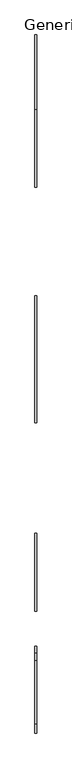
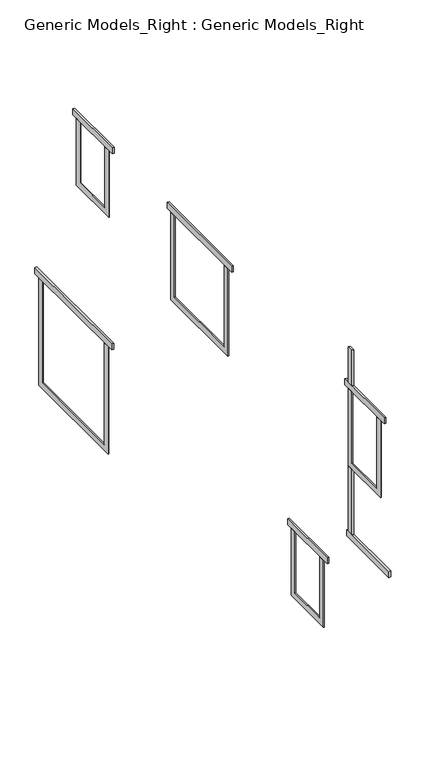
"""IFC4 building model written with IfcOpenShell, lengths in millimetres: proxy geometry, Generic Models_Right : Generic Models_Right."""

from ifc_helpers import new_model, si_unit, frame, origin, place, context, project, spatial, polyline, outline, extrude, source, transform, mapped, element, save


def generic_models_right_generic_models_right_f86b50ba(model_context):
    return source(origin(), model_context, "Body", "SweptSolid", [
        extrude(outline(polyline([(8764.303833, 1607.8809329), (8764.303833, 579.1809329), (8738.903833, 579.1809329), (8738.903833, 1607.8809329), (8764.303833, 1607.8809329)])), frame((0.0, 0.0, 3454.4), z_axis=(0.0, 0.0, 1.0), x_axis=(1.0, 0.0, 0.0)), (0.0, 0.0, 1.0), 88.9),
        extrude(outline(polyline([(8764.303833, 1569.7809329), (8764.303833, 1480.8809329), (8738.903833, 1480.8809329), (8738.903833, 1569.7809329), (8764.303833, 1569.7809329)])), frame((0.0, 0.0, 5768.975), z_axis=(0.0, 0.0, 1.0), x_axis=(1.0, 0.0, 0.0)), (0.0, 0.0, 1.0), 529.9575109),
        extrude(outline(polyline([(8764.303833, 1569.7809329), (8764.303833, 1480.8809329), (8738.903833, 1480.8809329), (8738.903833, 1569.7809329), (8764.303833, 1569.7809329)])), frame((0.0, 0.0, 3543.3), z_axis=(0.0, 0.0, 1.0), x_axis=(1.0, 0.0, 0.0)), (0.0, 0.0, 1.0), 981.075),
        extrude(outline(polyline([(8764.303833, 1658.6809329), (8764.303833, 693.4809329), (8738.903833, 693.4809329), (8738.903833, 1658.6809329), (8764.303833, 1658.6809329)])), frame((0.0, 0.0, 5680.075), z_axis=(0.0, 0.0, 1.0), x_axis=(1.0, 0.0, 0.0)), (0.0, 0.0, 1.0), 88.9),
        extrude(outline(polyline([(8764.303833, 3055.6809329), (8764.303833, 2090.4809329), (8738.903833, 2090.4809329), (8738.903833, 3055.6809329), (8764.303833, 3055.6809329)])), frame((0.0, 0.0, 2743.2), z_axis=(0.0, 0.0, 1.0), x_axis=(1.0, 0.0, 0.0)), (0.0, 0.0, 1.0), 88.9),
        extrude(outline(polyline([(8764.303833, 6002.0809329), (8764.303833, 4427.2809329), (8738.903833, 4427.2809329), (8738.903833, 6002.0809329), (8764.303833, 6002.0809329)])), frame((0.0, 0.0, 5680.075), z_axis=(0.0, 0.0, 1.0), x_axis=(1.0, 0.0, 0.0)), (0.0, 0.0, 1.0), 88.9),
        extrude(outline(polyline([(8764.303833, 8313.4809329), (8764.303833, 7348.2809329), (8738.903833, 7348.2809329), (8738.903833, 8313.4809329), (8764.303833, 8313.4809329)])), frame((0.0, 0.0, 5680.075), z_axis=(0.0, 0.0, 1.0), x_axis=(1.0, 0.0, 0.0)), (0.0, 0.0, 1.0), 88.9),
        extrude(outline(polyline([(8764.303833, 9240.5809329), (8764.303833, 7360.9809329), (8738.903833, 7360.9809329), (8738.903833, 9240.5809329), (8764.303833, 9240.5809329)])), frame((0.0, 0.0, 2743.2), z_axis=(0.0, 0.0, 1.0), x_axis=(1.0, 0.0, 0.0)), (0.0, 0.0, 1.0), 88.9),
        extrude(outline(polyline([(2179.3809329, 2743.2), (2268.2809329, 2743.2), (2268.2809329, 1828.8), (2877.8809329, 1828.8), (2877.8809329, 2743.2), (2966.7809329, 2743.2), (2966.7809329, 1739.9), (2179.3809329, 1739.9), (2179.3809329, 2743.2)])), frame((8738.903833, 0.0, 0.0), z_axis=(1.0, 0.0, 0.0), x_axis=(0.0, 1.0, 0.0)), (0.0, 0.0, 1.0), 12.7),
        extrude(outline(polyline([(7449.8809329, 2743.2), (7538.7809329, 2743.2), (7538.7809329, 1219.2), (9062.7809329, 1219.2), (9062.7809329, 2743.2), (9151.6809329, 2743.2), (9151.6809329, 1130.3), (7449.8809329, 1130.3), (7449.8809329, 2743.2)])), frame((8738.903833, 0.0, 0.0), z_axis=(1.0, 0.0, 0.0), x_axis=(0.0, 1.0, 0.0)), (0.0, 0.0, 1.0), 12.7),
        extrude(outline(polyline([(7437.1809329, 5680.075), (7526.0809329, 5680.075), (7526.0809329, 4765.675), (8135.6809329, 4765.675), (8135.6809329, 5680.075), (8224.5809329, 5680.075), (8224.5809329, 4676.775), (7437.1809329, 4676.775), (7437.1809329, 5680.075)])), frame((8738.903833, 0.0, 0.0), z_axis=(1.0, 0.0, 0.0), x_axis=(0.0, 1.0, 0.0)), (0.0, 0.0, 1.0), 12.7),
        extrude(outline(polyline([(4516.1809329, 5680.075), (4605.0809329, 5680.075), (4605.0809329, 4460.875), (5824.2809329, 4460.875), (5824.2809329, 5680.075), (5913.1809329, 5680.075), (5913.1809329, 4371.975), (4516.1809329, 4371.975), (4516.1809329, 5680.075)])), frame((8738.903833, 0.0, 0.0), z_axis=(1.0, 0.0, 0.0), x_axis=(0.0, 1.0, 0.0)), (0.0, 0.0, 1.0), 12.7),
        extrude(outline(polyline([(782.3809329, 5680.075), (871.2809329, 5680.075), (871.2809329, 4613.275), (1480.8809329, 4613.275), (1480.8809329, 5680.075), (1569.7809329, 5680.075), (1569.7809329, 4524.375), (782.3809329, 4524.375), (782.3809329, 5680.075)])), frame((8738.903833, 0.0, 0.0), z_axis=(1.0, 0.0, 0.0), x_axis=(0.0, 1.0, 0.0)), (0.0, 0.0, 1.0), 12.7),
    ])


if __name__ == "__main__":
    model = new_model("IFC4")
    model_context = context("Model", 3, world=origin())
    ifc_project = project(units=[si_unit("LENGTHUNIT", "METRE", prefix="MILLI")], contexts=[model_context])
    site = spatial("IfcSite", under=ifc_project)
    building = spatial("IfcBuilding", under=site)
    placement = place(None, origin())
    generic_models_right_generic_models_right_shape = generic_models_right_generic_models_right_f86b50ba(model_context)
    element("IfcBuildingElementProxy", 1, Name="Generic Models_Right : Generic Models_Right", ObjectType="Generic Models_Right : Generic Models_Right", at=placement, inside=building, context=model_context, shape_type="MappedRepresentation", body=[
        mapped(generic_models_right_generic_models_right_shape, transform((0.0, 0.0, 0.0), x_axis=(1.0, 0.0, 0.0), y_axis=(0.0, 1.0, 0.0), z_axis=(0.0, 0.0, 1.0))),
    ])
    save(model, "model.ifc")
